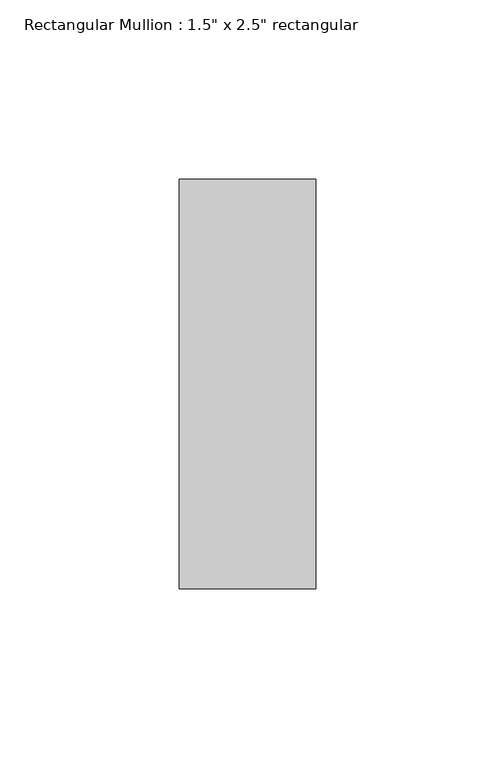
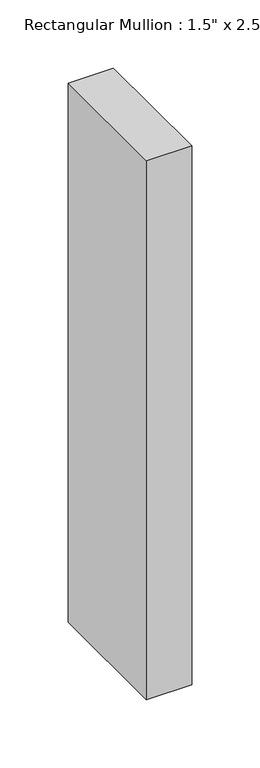
"""IFC4 building model written with IfcOpenShell, lengths in millimetres: member geometry."""

from ifc_helpers import new_model, si_unit, frame, origin, place, context, project, spatial, polyline, outline, extrude, source, transform, mapped, element, save


def member_0eb32d1f(model_context):
    return source(origin(), model_context, "Body", "SweptSolid", [
        extrude(outline(polyline([(0.0, 57.15), (0.0, -57.15), (-38.1, -57.15), (-38.1, 57.15), (0.0, 57.15)])), frame((0.0, 0.0, -481.0405049), z_axis=(0.0, 0.0, 1.0), x_axis=(1.0, 0.0, 0.0)), (0.0, 0.0, 1.0), 481.0405049),
    ])


if __name__ == "__main__":
    model = new_model("IFC4")
    model_context = context("Model", 3, world=origin())
    ifc_project = project(units=[si_unit("LENGTHUNIT", "METRE", prefix="MILLI")], contexts=[model_context])
    site = spatial("IfcSite", under=ifc_project)
    building = spatial("IfcBuilding", under=site)
    placement = place(None, origin())
    member_shape = member_0eb32d1f(model_context)
    element("IfcMember", 1, ObjectType="Rectangular Mullion : 1.5\" x 2.5\" rectangular", at=placement, inside=building, context=model_context, shape_type="MappedRepresentation", body=[
        mapped(member_shape, transform((0.0, 0.0, 0.0), x_axis=(1.0, 0.0, 0.0), y_axis=(0.0, 1.0, 0.0), z_axis=(0.0, 0.0, 1.0))),
    ])
    save(model, "model.ifc")
